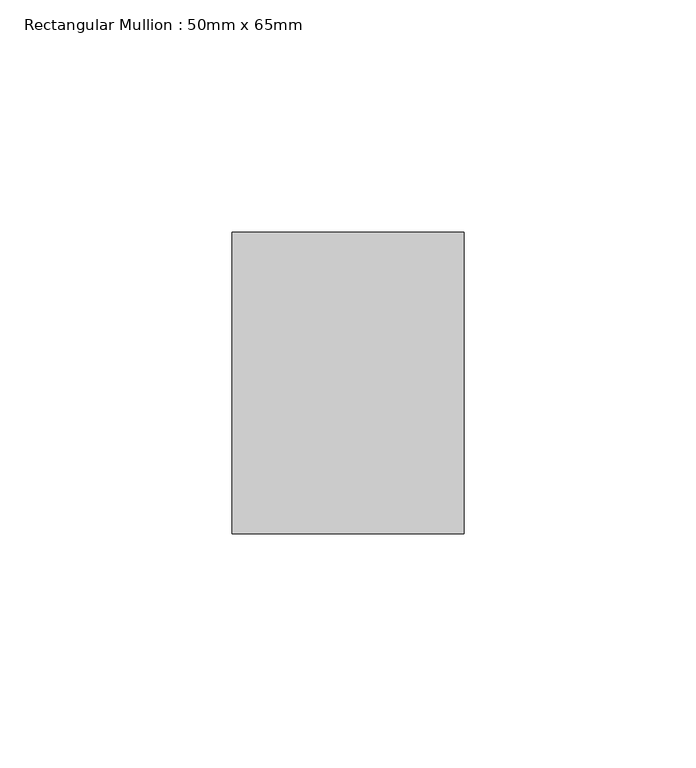
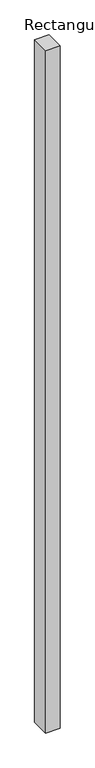
"""IFC4 building model written with IfcOpenShell, lengths in millimetres: member geometry, Rectangular Mullion : 50mm x 65mm."""

from ifc_helpers import new_model, si_unit, frame, origin, place, context, project, spatial, polyline, outline, extrude, source, transform, mapped, element, save


def rectangular_mullion_50mm_x_65mm_8757fb6e(model_context):
    return source(origin(), model_context, "Body", "SweptSolid", [
        extrude(outline(polyline([(25.0, 32.5), (25.0, -32.5), (-25.0, -32.5), (-25.0, 32.5), (25.0, 32.5)])), frame((0.0, 0.0, -2478.0256074), z_axis=(0.0, 0.0, 1.0), x_axis=(1.0, 0.0, 0.0)), (0.0, 0.0, 1.0), 2478.0256074),
    ])


if __name__ == "__main__":
    model = new_model("IFC4")
    model_context = context("Model", 3, world=origin())
    ifc_project = project(units=[si_unit("LENGTHUNIT", "METRE", prefix="MILLI")], contexts=[model_context])
    site = spatial("IfcSite", under=ifc_project)
    building = spatial("IfcBuilding", under=site)
    placement = place(None, origin())
    rectangular_mullion_50mm_x_65mm_shape = rectangular_mullion_50mm_x_65mm_8757fb6e(model_context)
    element("IfcMember", 1, ObjectType="Rectangular Mullion : 50mm x 65mm", at=placement, inside=building, context=model_context, shape_type="MappedRepresentation", body=[
        mapped(rectangular_mullion_50mm_x_65mm_shape, transform((0.0, 0.0, 0.0), x_axis=(1.0, 0.0, 0.0), y_axis=(0.0, 1.0, 0.0), z_axis=(0.0, 0.0, 1.0))),
    ])
    save(model, "model.ifc")
